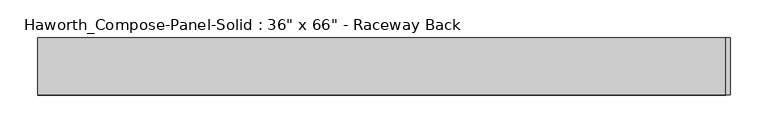
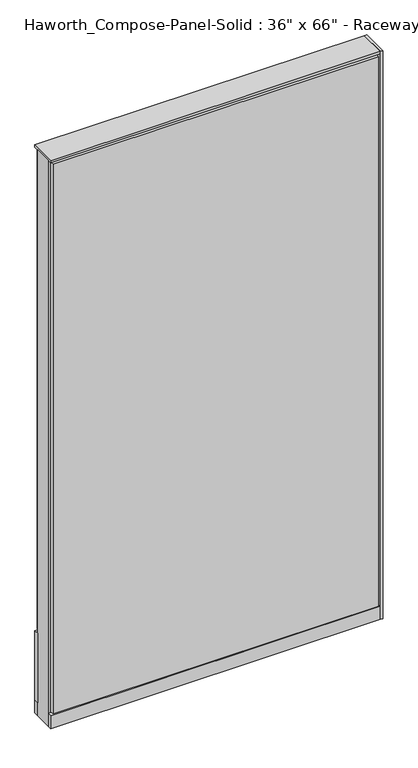
"""IFC4 building model written with IfcOpenShell, lengths in millimetres: furniture geometry."""

from ifc_helpers import new_model, si_unit, point, frame, frame_2d, origin, origin_with_axes, place, context, project, spatial, polyline, circle_curve, trimmed, segment, composite_curve, outline, extrude, source, transform, mapped, element, save


def furniture_e539eb25(model_context):
    return source(origin(), model_context, "Body", "SweptSolid", [
        extrude(outline(composite_curve([segment(trimmed(circle_curve(frame_2d((-378.5597098, 0.0)), 12.7), [point((-391.2597098, 0.0))], [point((-365.8597098, 0.0))], False, "CARTESIAN"), True, "CONTINUOUS"), segment(trimmed(circle_curve(frame_2d((-378.5597098, 0.0)), 12.7), [point((-365.8597098, 0.0))], [point((-391.2597098, 0.0))], False, "CARTESIAN"), True, "CONTINUOUS")], self_intersect=False)), origin_with_axes(), (0.0, 0.0, 1.0), 12.7),
        extrude(outline(composite_curve([segment(trimmed(circle_curve(frame_2d((383.4402902, 0.0)), 12.7), [point((370.7402902, 0.0))], [point((396.1402902, 0.0))], False, "CARTESIAN"), True, "CONTINUOUS"), segment(trimmed(circle_curve(frame_2d((383.4402902, 0.0)), 12.7), [point((396.1402902, 0.0))], [point((370.7402902, 0.0))], False, "CARTESIAN"), True, "CONTINUOUS")], self_intersect=False)), origin_with_axes(), (0.0, 0.0, 1.0), 12.7),
        extrude(outline(polyline([(465.9902902, 38.1), (465.9902902, -38.1), (459.6402902, -38.1), (459.6402902, 38.1), (465.9902902, 38.1)])), frame((0.0, 0.0, 12.7), z_axis=(0.0, 0.0, 1.0), x_axis=(1.0, 0.0, 0.0)), (0.0, 0.0, 1.0), 1663.7),
        extrude(outline(polyline([(453.2902902, 38.1), (453.2902902, 25.4), (-448.4097098, 25.4), (-448.4097098, 38.1), (453.2902902, 38.1)])), frame((0.0, 0.0, 257.175), z_axis=(0.0, 0.0, 1.0), x_axis=(1.0, 0.0, 0.0)), (0.0, 0.0, 1.0), 1406.525),
        extrude(outline(polyline([(459.6402902, 38.1), (459.6402902, 25.4), (-454.7597098, 25.4), (-454.7597098, 38.1), (459.6402902, 38.1)])), frame((0.0, 0.0, 50.8), z_axis=(0.0, 0.0, 1.0), x_axis=(1.0, 0.0, 0.0)), (0.0, 0.0, 1.0), 203.2),
        extrude(outline(polyline([(453.2902902, -38.1), (-448.4097098, -38.1), (-448.4097098, -25.4), (453.2902902, -25.4), (453.2902902, -38.1)])), frame((0.0, 0.0, 53.975), z_axis=(0.0, 0.0, 1.0), x_axis=(1.0, 0.0, 0.0)), (0.0, 0.0, 1.0), 1609.725),
        extrude(outline(polyline([(459.6402902, 25.4), (459.6402902, -25.4), (-454.7597098, -25.4), (-454.7597098, 25.4), (459.6402902, 25.4)])), frame((0.0, 0.0, 12.7), z_axis=(0.0, 0.0, 1.0), x_axis=(1.0, 0.0, 0.0)), (0.0, 0.0, 1.0), 1657.35),
        extrude(outline(polyline([(-454.7597098, -38.1), (-454.7597098, 38.1), (459.6402902, 38.1), (459.6402902, -38.1), (-454.7597098, -38.1)])), frame((0.0, 0.0, 12.7), z_axis=(0.0, 0.0, 1.0), x_axis=(1.0, 0.0, 0.0)), (0.0, 0.0, 1.0), 38.1),
        extrude(outline(polyline([(-454.7597098, -38.1), (-454.7597098, 38.1), (459.6402902, 38.1), (459.6402902, -38.1), (-454.7597098, -38.1)])), frame((0.0, 0.0, 1670.05), z_axis=(0.0, 0.0, 1.0), x_axis=(1.0, 0.0, 0.0)), (0.0, 0.0, 1.0), 6.35),
    ])


if __name__ == "__main__":
    model = new_model("IFC4")
    model_context = context("Model", 3, world=origin())
    ifc_project = project(units=[si_unit("LENGTHUNIT", "METRE", prefix="MILLI")], contexts=[model_context])
    site = spatial("IfcSite", under=ifc_project)
    building = spatial("IfcBuilding", under=site)
    placement = place(None, origin())
    furniture_shape = furniture_e539eb25(model_context)
    element("IfcFurniture", 1, ObjectType="Haworth_Compose-Panel-Solid : 36\" x 66\" - Raceway Back", at=placement, inside=building, context=model_context, shape_type="MappedRepresentation", body=[
        mapped(furniture_shape, transform((0.0, 0.0, 0.0), x_axis=(1.0, 0.0, 0.0), y_axis=(0.0, 1.0, 0.0), z_axis=(0.0, 0.0, 1.0))),
    ])
    save(model, "model.ifc")
